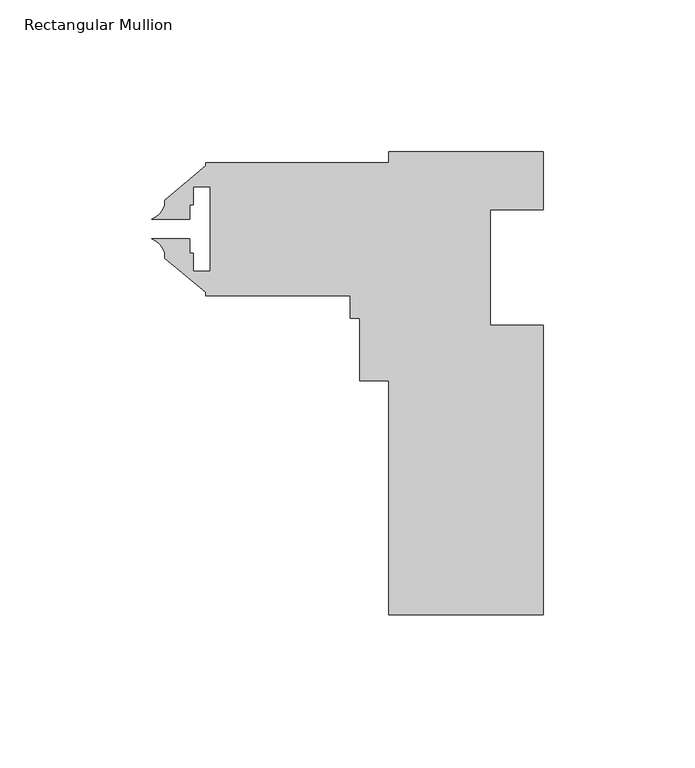
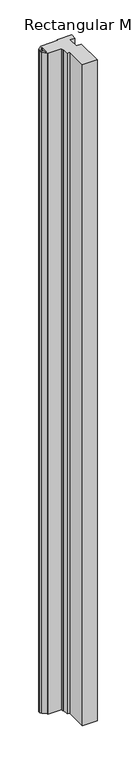
"""IFC4 building model written with IfcOpenShell, lengths in millimetres: member geometry, Rectangular Mullion."""

from ifc_helpers import new_model, si_unit, point, frame, frame_2d, origin, place, context, project, spatial, polyline, circle_curve, trimmed, segment, composite_curve, outline, extrude, source, transform, mapped, element, save


def rectangular_mullion_2620914a(model_context):
    return source(origin(), model_context, "Body", "SweptSolid", [
        extrude(outline(composite_curve([segment(polyline([(25.4, 0.0013378), (25.4, -19.0495813), (7.9512033, -19.0495813), (7.9532099, -57.1495815), (25.4030099, -57.1486625), (25.4080265, -152.398662), (-25.3919734, -152.4013375), (-25.3960282, -75.4139377), (-34.9210282, -75.4144393), (-34.9221144, -54.7896393), (-38.0971144, -54.7898066), (-38.097509, -47.2968066), (-85.722509, -47.2993149), (-85.7225652, -46.2328081), (-99.1851601, -34.9375579), (-99.185249, -33.2494236)]), True, "CONTINUOUS"), segment(trimmed(circle_curve(frame_2d((-106.5611255, -35.6399684)), 7.7535965), [point((-99.185249, -33.2494236))], [point((-103.3833039, -28.5675071))], True, "CARTESIAN"), True, "CONTINUOUS"), segment(polyline([(-103.3833039, -28.5675071), (-90.8907256, -28.5668492), (-90.8904747, -33.329587), (-89.7618447, -33.3295276), (-89.7615304, -39.2985276), (-84.1481304, -39.2982319), (-84.1495939, -11.510632), (-89.7629939, -11.5109276), (-89.7626795, -17.4799276), (-90.8913095, -17.479987), (-90.8910586, -22.2427315), (-103.3836518, -22.2433895)]), True, "CONTINUOUS"), segment(trimmed(circle_curve(frame_2d((-106.5622035, -15.1712563)), 7.7535965), [point((-103.3836518, -22.2433895))], [point((-99.1860752, -17.5610242))], True, "CARTESIAN"), True, "CONTINUOUS"), segment(polyline([(-99.1860752, -17.5610242), (-99.1861642, -15.8728899), (-85.7247591, -4.5762217), (-85.7248153, -3.5097149), (-25.3998154, -3.5065378), (-25.4, -0.0013378), (25.4, 0.0013378)]), True, "CONTINUOUS")], self_intersect=False)), frame((0.0, 0.0, -2438.4), z_axis=(0.0, 0.0, 1.0), x_axis=(1.0, 0.0, 0.0)), (0.0, 0.0, 1.0), 2438.4),
    ])


if __name__ == "__main__":
    model = new_model("IFC4")
    model_context = context("Model", 3, world=origin())
    ifc_project = project(units=[si_unit("LENGTHUNIT", "METRE", prefix="MILLI")], contexts=[model_context])
    site = spatial("IfcSite", under=ifc_project)
    building = spatial("IfcBuilding", under=site)
    placement = place(None, origin())
    rectangular_mullion_shape = rectangular_mullion_2620914a(model_context)
    element("IfcMember", 1, ObjectType="Rectangular Mullion", at=placement, inside=building, context=model_context, shape_type="MappedRepresentation", body=[
        mapped(rectangular_mullion_shape, transform((0.0, 0.0, 0.0), x_axis=(1.0, 0.0, 0.0), y_axis=(0.0, 1.0, 0.0), z_axis=(0.0, 0.0, 1.0))),
    ])
    save(model, "model.ifc")
